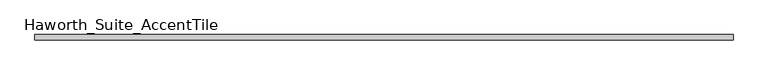
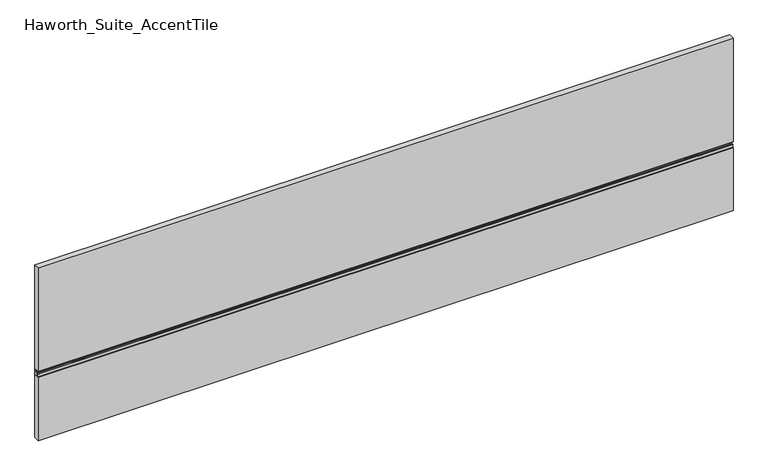
"""IFC4 building model written with IfcOpenShell, lengths in millimetres: furniture geometry, Haworth_Suite_AccentTile."""

from ifc_helpers import new_model, si_unit, frame, origin, place, context, project, spatial, polyline, outline, extrude, source, transform, mapped, element, save


def haworth_suite_accenttile_efc2e608(model_context):
    return source(origin(), model_context, "Body", "SweptSolid", [
        extrude(outline(polyline([(-12.7, 846.1373997), (-12.7, 827.0875), (-31.1785, 827.0875), (-31.1785, 835.4875), (-28.9785001, 835.4875), (-28.9785001, 828.9875), (-23.8125, 828.9875), (-23.8125, 835.4875), (-13.3124999, 835.4875), (-13.3124999, 840.60022), (-20.17522, 840.60022), (-23.8125, 844.2375), (-31.1785, 844.2375), (-31.1785, 846.1375), (-12.7, 846.1373997)])), frame((-1231.9, 0.0, 0.0), z_axis=(1.0, 0.0, 0.0), x_axis=(0.0, 1.0, 0.0)), (0.0, 0.0, 1.0), 2438.4),
        extrude(outline(polyline([(1206.5, -12.7), (1206.5, -31.75), (-1231.9, -31.75), (-1231.9, -12.7), (1206.5, -12.7)])), frame((0.0, 0.0, 847.725), z_axis=(0.0, 0.0, 1.0), x_axis=(1.0, 0.0, 0.0)), (0.0, 0.0, 1.0), 384.175),
        extrude(outline(polyline([(1206.5, -12.7), (1206.5, -31.75), (-1231.9, -31.75), (-1231.9, -12.7), (1206.5, -12.7)])), frame((0.0, 0.0, 590.55), z_axis=(0.0, 0.0, 1.0), x_axis=(1.0, 0.0, 0.0)), (0.0, 0.0, 1.0), 234.95),
    ])


if __name__ == "__main__":
    model = new_model("IFC4")
    model_context = context("Model", 3, world=origin())
    ifc_project = project(units=[si_unit("LENGTHUNIT", "METRE", prefix="MILLI")], contexts=[model_context])
    site = spatial("IfcSite", under=ifc_project)
    building = spatial("IfcBuilding", under=site)
    placement = place(None, origin())
    haworth_suite_accenttile_shape = haworth_suite_accenttile_efc2e608(model_context)
    element("IfcFurniture", 1, ObjectType="Haworth_Suite_AccentTile", at=placement, inside=building, context=model_context, shape_type="MappedRepresentation", body=[
        mapped(haworth_suite_accenttile_shape, transform((0.0, 0.0, 0.0), x_axis=(1.0, 0.0, 0.0), y_axis=(0.0, 1.0, 0.0), z_axis=(0.0, 0.0, 1.0))),
    ])
    save(model, "model.ifc")
